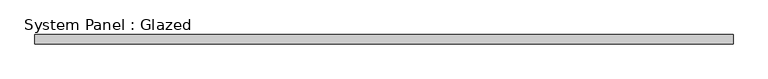
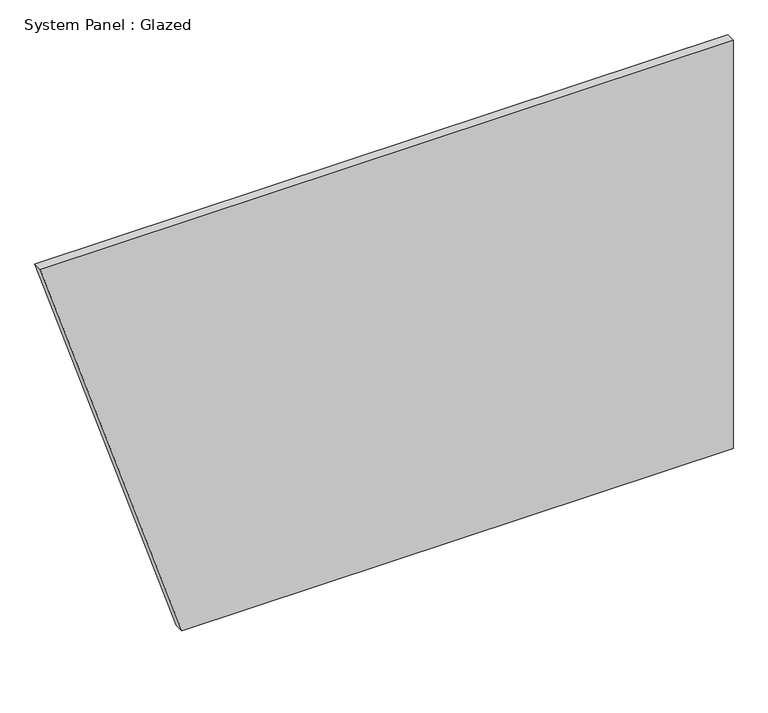
"""IFC4 building model written with IfcOpenShell, lengths in millimetres: plate geometry, System Panel : Glazed."""

from ifc_helpers import new_model, si_unit, frame, origin, place, context, project, spatial, polyline, outline, extrude, source, transform, mapped, element, save


def system_panel_glazed_8ede00f5(model_context):
    return source(origin(), model_context, "Body", "SweptSolid", [
        extrude(outline(polyline([(0.0, -548.1050019), (0.0, 927.0088801), (1155.7, 927.0088801), (1155.7, -927.0088801), (0.0, -548.1050019)])), frame((0.0, -44.45, 0.0), z_axis=(0.0, 1.0, 0.0), x_axis=(0.0, 0.0, 1.0)), (0.0, 0.0, 1.0), 25.4),
    ])


if __name__ == "__main__":
    model = new_model("IFC4")
    model_context = context("Model", 3, world=origin())
    ifc_project = project(units=[si_unit("LENGTHUNIT", "METRE", prefix="MILLI")], contexts=[model_context])
    site = spatial("IfcSite", under=ifc_project)
    building = spatial("IfcBuilding", under=site)
    placement = place(None, origin())
    system_panel_glazed_shape = system_panel_glazed_8ede00f5(model_context)
    element("IfcPlate", 1, ObjectType="System Panel : Glazed", at=placement, inside=building, context=model_context, shape_type="MappedRepresentation", body=[
        mapped(system_panel_glazed_shape, transform((0.0, 0.0, 0.0), x_axis=(1.0, 0.0, 0.0), y_axis=(0.0, 1.0, 0.0), z_axis=(0.0, 0.0, 1.0))),
    ])
    save(model, "model.ifc")
